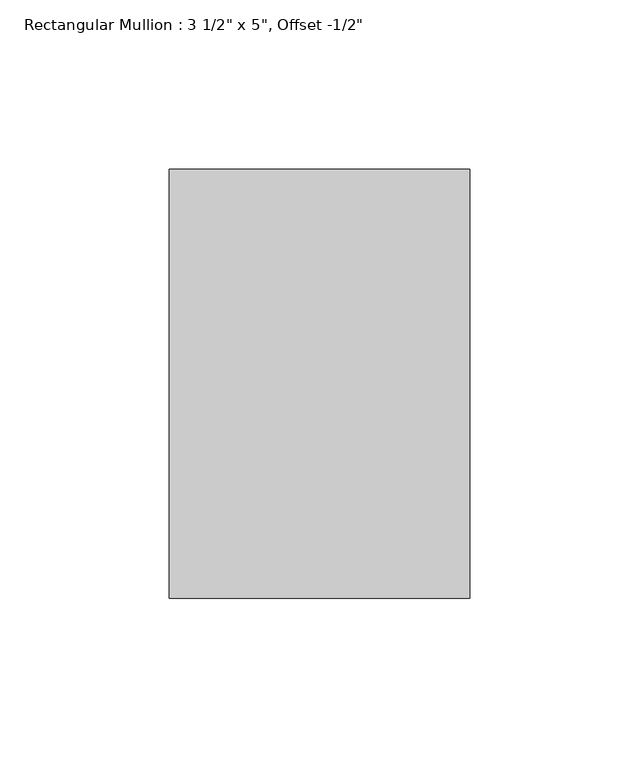
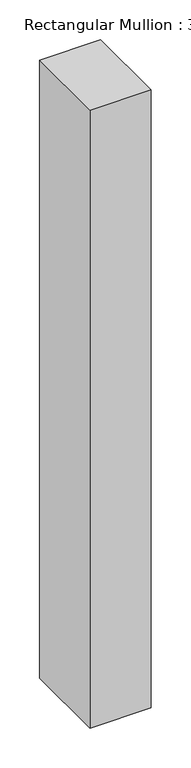
"""IFC4 building model written with IfcOpenShell, lengths in millimetres: member geometry."""

from ifc_helpers import new_model, si_unit, frame, origin, place, context, project, spatial, polyline, outline, extrude, source, transform, mapped, element, save


def member_12298675(model_context):
    return source(origin(), model_context, "Body", "SweptSolid", [
        extrude(outline(polyline([(0.0, 76.2), (0.0, -50.8), (-88.9, -50.8), (-88.9, 76.2), (0.0, 76.2)])), frame((0.0, 0.0, -949.325), z_axis=(0.0, 0.0, 1.0), x_axis=(1.0, 0.0, 0.0)), (0.0, 0.0, 1.0), 949.325),
    ])


if __name__ == "__main__":
    model = new_model("IFC4")
    model_context = context("Model", 3, world=origin())
    ifc_project = project(units=[si_unit("LENGTHUNIT", "METRE", prefix="MILLI")], contexts=[model_context])
    site = spatial("IfcSite", under=ifc_project)
    building = spatial("IfcBuilding", under=site)
    placement = place(None, origin())
    member_shape = member_12298675(model_context)
    element("IfcMember", 1, ObjectType="Rectangular Mullion : 3 1/2\" x 5\", Offset -1/2\"", at=placement, inside=building, context=model_context, shape_type="MappedRepresentation", body=[
        mapped(member_shape, transform((0.0, 0.0, 0.0), x_axis=(1.0, 0.0, 0.0), y_axis=(0.0, 1.0, 0.0), z_axis=(0.0, 0.0, 1.0))),
    ])
    save(model, "model.ifc")
